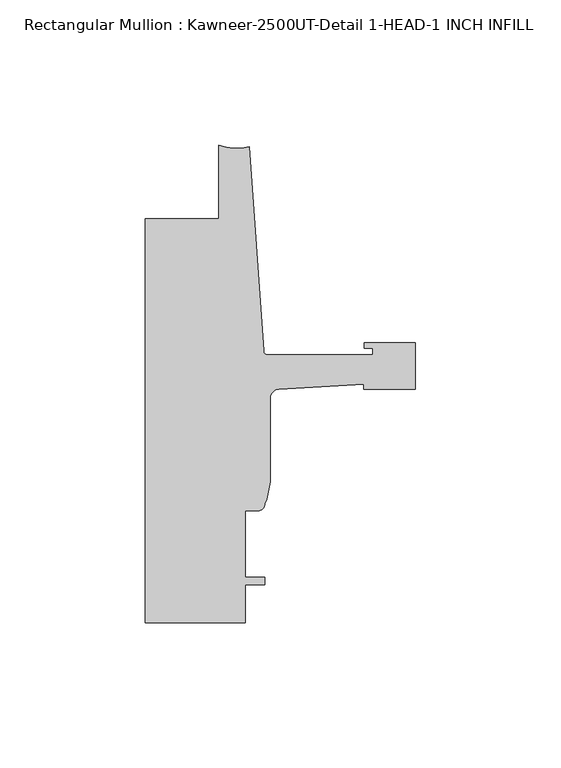
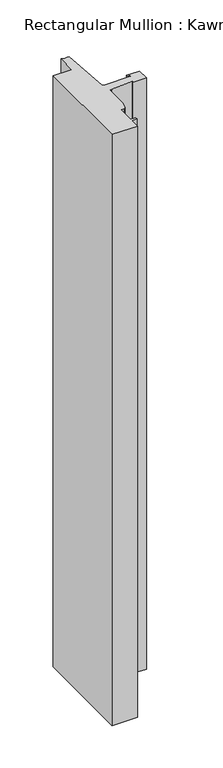
"""IFC4 building model written with IfcOpenShell, lengths in millimetres: member geometry, Rectangular Mullion : Kawneer-2500UT-Detail 1-HEAD-1 INCH INFILL."""

from ifc_helpers import new_model, si_unit, point, frame, frame_2d, origin, place, context, project, spatial, polyline, circle_curve, trimmed, segment, composite_curve, outline, extrude, source, transform, mapped, element, save


def rectangular_mullion_kawneer_2500ut_detail_1_head_1_inch_f143f539(model_context):
    return source(origin(), model_context, "Body", "SweptSolid", [
        extrude(outline(composite_curve([segment(polyline([(-17.9118541, -82.4047673), (-47.0897067, -84.1438176)]), True, "CONTINUOUS"), segment(trimmed(circle_curve(frame_2d((-46.9265, -87.3146201)), 3.175), [point((-47.0897067, -84.1438176))], [point((-50.1015, -87.3146201))], True, "CARTESIAN"), True, "CONTINUOUS"), segment(polyline([(-50.1015, -87.3146201), (-50.1015, -116.0261074), (-51.2667352, -122.020723), (-51.8795003, -123.6081953)]), True, "CONTINUOUS"), segment(trimmed(circle_curve(frame_2d((-54.4195002, -123.6081953)), 2.5399999), [point((-51.8795003, -123.6081953))], [point((-54.4195002, -126.1481952))], False, "CARTESIAN"), True, "CONTINUOUS"), segment(polyline([(-54.4195002, -126.1481952), (-58.7375, -126.1481952), (-58.7375, -149.0081952), (-51.8795003, -149.0081952), (-51.8795003, -151.5481952), (-58.7375, -151.5481952), (-58.7375, -164.5919944), (-93.2286109, -164.5919944), (-93.2286109, -25.4004469), (-67.8287241, -25.4004469), (-67.8287241, 5.6e-06)]), True, "CONTINUOUS"), segment(trimmed(circle_curve(frame_2d((-61.5737839, 15.5330855)), 16.7451739), [point((-67.8287241, 5.6e-06))], [point((-57.2987828, -0.657196))], True, "CARTESIAN"), True, "CONTINUOUS"), segment(polyline([(-57.2987828, -0.657196), (-52.3871824, -70.8961036)]), True, "CONTINUOUS"), segment(trimmed(circle_curve(frame_2d((-50.8668948, -70.7897944)), 1.524), [point((-52.3871824, -70.8961036))], [point((-50.8668948, -72.3137944))], True, "CARTESIAN"), True, "CONTINUOUS"), segment(polyline([(-50.8668948, -72.3137944), (-14.783487, -72.3137944), (-14.783487, -69.9769943), (-17.6377748, -69.9769943), (-17.6377748, -68.1989943), (0.0, -68.1989943), (0.0, -84.2009942), (-17.9118541, -84.2009942), (-17.9118541, -82.4047673)]), True, "CONTINUOUS")], self_intersect=False)), frame((0.0, 0.0, -850.9), z_axis=(0.0, 0.0, 1.0), x_axis=(1.0, 0.0, 0.0)), (0.0, 0.0, 1.0), 850.9),
    ])


if __name__ == "__main__":
    model = new_model("IFC4")
    model_context = context("Model", 3, world=origin())
    ifc_project = project(units=[si_unit("LENGTHUNIT", "METRE", prefix="MILLI")], contexts=[model_context])
    site = spatial("IfcSite", under=ifc_project)
    building = spatial("IfcBuilding", under=site)
    placement = place(None, origin())
    rectangular_mullion_kawneer_2500ut_detail_1_head_1_inch_shape = rectangular_mullion_kawneer_2500ut_detail_1_head_1_inch_f143f539(model_context)
    element("IfcMember", 1, ObjectType="Rectangular Mullion : Kawneer-2500UT-Detail 1-HEAD-1 INCH INFILL", at=placement, inside=building, context=model_context, shape_type="MappedRepresentation", body=[
        mapped(rectangular_mullion_kawneer_2500ut_detail_1_head_1_inch_shape, transform((0.0, 0.0, 0.0), x_axis=(1.0, 0.0, 0.0), y_axis=(0.0, 1.0, 0.0), z_axis=(0.0, 0.0, 1.0))),
    ])
    save(model, "model.ifc")
